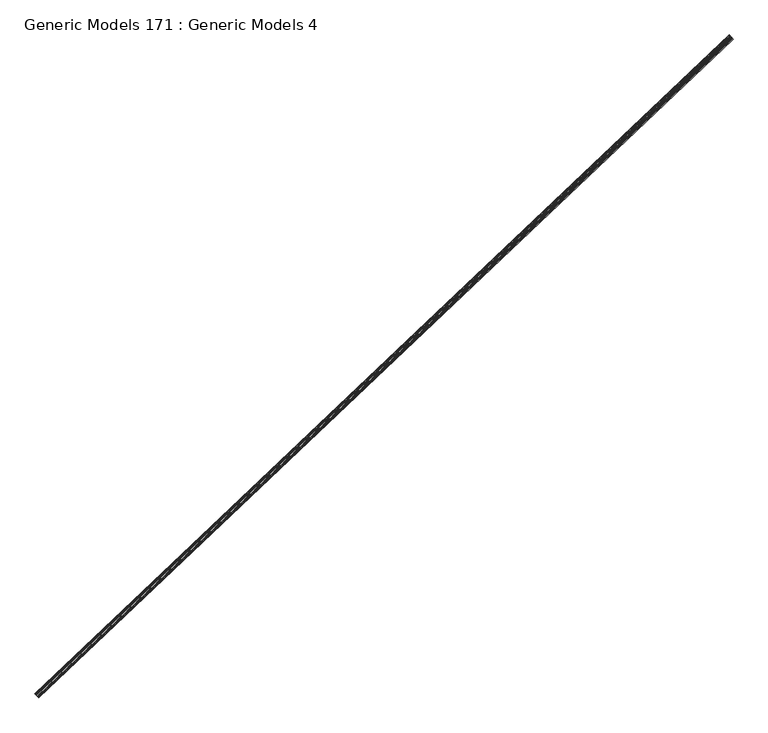
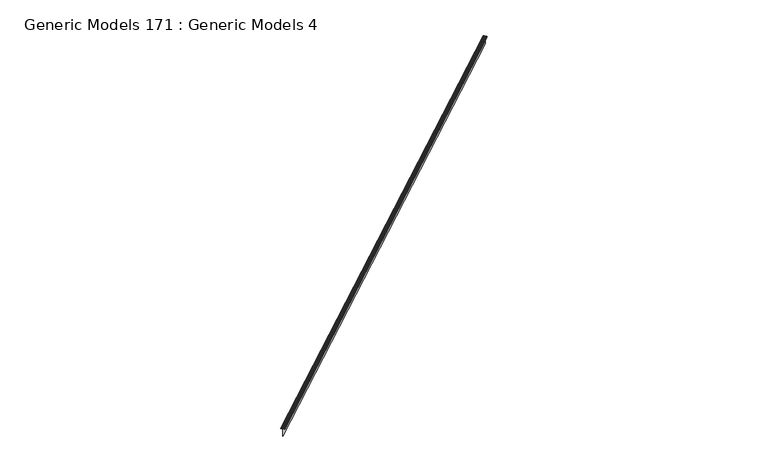
"""IFC4 building model written with IfcOpenShell, lengths in millimetres: proxy geometry, Generic Models 171 : Generic Models 4."""

from ifc_helpers import new_model, si_unit, point, frame, frame_2d, origin, place, context, project, spatial, polyline, circle_curve, trimmed, segment, composite_curve, outline, extrude, source, transform, mapped, element, save


def generic_models_171_generic_models_4_f75c508a(model_context):
    return source(origin(), model_context, "Body", "SweptSolid", [
        extrude(outline(composite_curve([segment(polyline([(0.2907612, -20.2989114), (2.0904889, -16.9994106)]), True, "CONTINUOUS"), segment(trimmed(circle_curve(frame_2d((0.0, -15.859144)), 2.38125), [point((2.0904889, -16.9994106))], [point((2.38125, -15.859144))], True, "CARTESIAN"), True, "CONTINUOUS"), segment(polyline([(2.38125, -15.859144), (2.38125, -12.4158864)]), True, "CONTINUOUS"), segment(trimmed(circle_curve(frame_2d((-3.175, -12.4158864)), 5.55625), [point((2.38125, -12.4158864))], [point((1.9319996, -10.2271723))], True, "CARTESIAN"), True, "CONTINUOUS"), segment(polyline([(1.9319996, -10.2271723), (0.1925359, -6.1684237)]), True, "CONTINUOUS"), segment(trimmed(circle_curve(frame_2d((2.38125, -5.2304034)), 2.38125), [point((0.1925359, -6.1684237))], [point((0.0, -5.2304034))], False, "CARTESIAN"), True, "CONTINUOUS"), segment(polyline([(0.0, -5.2304034), (0.0, -2.778125), (-0.79375, -2.38125), (-7.14375, -2.38125), (-7.8241071, -1.5875001), (-105.965625, -1.5875001), (-107.15625, 0.0), (-105.965625, 1.5875), (-7.8241071, 1.5875), (-7.14375, 2.38125), (-0.79375, 2.38125), (0.0, 2.778125), (0.0, 5.2304033)]), True, "CONTINUOUS"), segment(trimmed(circle_curve(frame_2d((2.38125, 5.2304033)), 2.38125), [point((0.0, 5.2304033))], [point((0.1925359, 6.1684237))], False, "CARTESIAN"), True, "CONTINUOUS"), segment(polyline([(0.1925359, 6.1684237), (1.9319996, 10.2271723)]), True, "CONTINUOUS"), segment(trimmed(circle_curve(frame_2d((-3.175, 12.4158863)), 5.55625), [point((1.9319996, 10.2271723))], [point((2.38125, 12.4158863))], True, "CARTESIAN"), True, "CONTINUOUS"), segment(polyline([(2.38125, 12.4158863), (2.38125, 15.859144)]), True, "CONTINUOUS"), segment(trimmed(circle_curve(frame_2d((0.0, 15.859144)), 2.38125), [point((2.38125, 15.859144))], [point((2.0904889, 16.9994106))], True, "CARTESIAN"), True, "CONTINUOUS"), segment(polyline([(2.0904889, 16.9994106), (0.2907612, 20.2989113)]), True, "CONTINUOUS"), segment(trimmed(circle_curve(frame_2d((2.38125, 21.439178)), 2.38125), [point((0.2907612, 20.2989113))], [point((0.0, 21.439178))], False, "CARTESIAN"), True, "CONTINUOUS"), segment(polyline([(0.0, 21.439178), (0.0, 25.4), (0.79375, 25.4), (0.79375, 21.439178)]), True, "CONTINUOUS"), segment(trimmed(circle_curve(frame_2d((2.38125, 21.439178)), 1.5875), [point((0.79375, 21.439178))], [point((0.9875908, 20.6790002))], True, "CARTESIAN"), True, "CONTINUOUS"), segment(polyline([(0.9875908, 20.6790002), (2.7873185, 17.3794995)]), True, "CONTINUOUS"), segment(trimmed(circle_curve(frame_2d((0.0, 15.859144)), 3.175), [point((2.7873185, 17.3794995))], [point((3.175, 15.859144))], False, "CARTESIAN"), True, "CONTINUOUS"), segment(polyline([(3.175, 15.859144), (3.175, 12.4158863)]), True, "CONTINUOUS"), segment(trimmed(circle_curve(frame_2d((-3.175, 12.4158863)), 6.35), [point((3.175, 12.4158863))], [point((2.661571, 9.9144988))], False, "CARTESIAN"), True, "CONTINUOUS"), segment(polyline([(2.661571, 9.9144988), (0.79375, 5.55625), (0.79375, 4.7625)]), True, "CONTINUOUS"), segment(trimmed(circle_curve(frame_2d((2.3688477, 1.8355468)), 3.3238513), [point((0.79375, 4.7625))], [point((2.38125, 5.1593749))], False, "CARTESIAN"), True, "CONTINUOUS"), segment(polyline([(2.38125, 5.1593749), (3.175, 3.5718749), (3.175, -3.571875), (2.38125, -5.159375)]), True, "CONTINUOUS"), segment(trimmed(circle_curve(frame_2d((2.3688477, -1.8355469)), 3.3238513), [point((2.38125, -5.159375))], [point((0.79375, -4.7625))], False, "CARTESIAN"), True, "CONTINUOUS"), segment(polyline([(0.79375, -4.7625), (0.79375, -5.55625), (2.661571, -9.9144988)]), True, "CONTINUOUS"), segment(trimmed(circle_curve(frame_2d((-3.175, -12.4158864)), 6.35), [point((2.661571, -9.9144988))], [point((3.175, -12.4158864))], False, "CARTESIAN"), True, "CONTINUOUS"), segment(polyline([(3.175, -12.4158864), (3.175, -15.859144)]), True, "CONTINUOUS"), segment(trimmed(circle_curve(frame_2d((0.0, -15.859144)), 3.175), [point((3.175, -15.859144))], [point((2.7873185, -17.3794996))], False, "CARTESIAN"), True, "CONTINUOUS"), segment(polyline([(2.7873185, -17.3794996), (0.9875908, -20.6790002)]), True, "CONTINUOUS"), segment(trimmed(circle_curve(frame_2d((2.38125, -21.439178)), 1.5875), [point((0.9875908, -20.6790002))], [point((0.79375, -21.439178))], True, "CARTESIAN"), True, "CONTINUOUS"), segment(polyline([(0.79375, -21.439178), (0.79375, -25.4), (0.0, -25.4), (0.0, -21.439178)]), True, "CONTINUOUS"), segment(trimmed(circle_curve(frame_2d((2.38125, -21.439178)), 2.38125), [point((0.0, -21.439178))], [point((0.2907612, -20.2989114))], False, "CARTESIAN"), True, "CONTINUOUS")], self_intersect=False)), frame((102143.2721591, 55533.5708818, 17375.9710595), z_axis=(0.7253743710122164, 0.6883545756938292, 0.0), x_axis=(0.0, 0.0, 1.0)), (0.0, 0.0, 1.0), 8321.675),
    ])


if __name__ == "__main__":
    model = new_model("IFC4")
    model_context = context("Model", 3, world=origin())
    ifc_project = project(units=[si_unit("LENGTHUNIT", "METRE", prefix="MILLI")], contexts=[model_context])
    site = spatial("IfcSite", under=ifc_project)
    building = spatial("IfcBuilding", under=site)
    placement = place(None, origin())
    generic_models_171_generic_models_4_shape = generic_models_171_generic_models_4_f75c508a(model_context)
    element("IfcBuildingElementProxy", 1, Name="Generic Models 171 : Generic Models 4", ObjectType="Generic Models 171 : Generic Models 4", at=placement, inside=building, context=model_context, shape_type="MappedRepresentation", body=[
        mapped(generic_models_171_generic_models_4_shape, transform((0.0, 0.0, 0.0), x_axis=(1.0, 0.0, 0.0), y_axis=(0.0, 1.0, 0.0), z_axis=(0.0, 0.0, 1.0))),
    ])
    save(model, "model.ifc")
